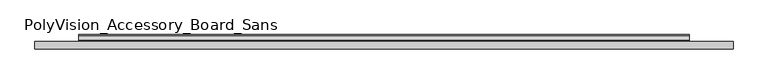
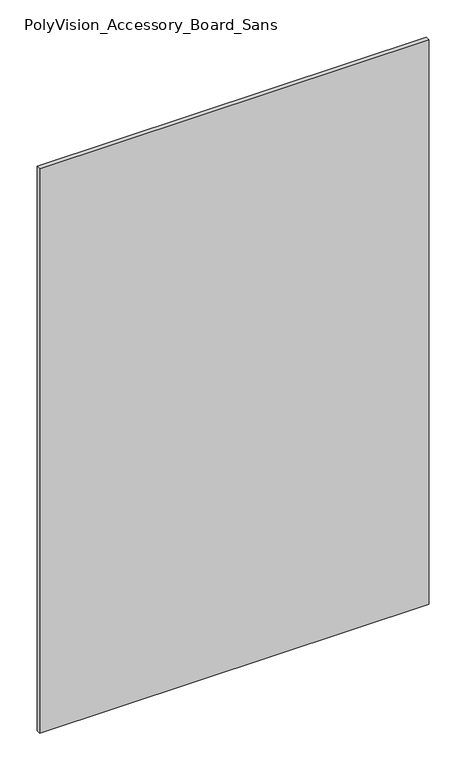
"""IFC4 building model written with IfcOpenShell, lengths in millimetres: furniture geometry, PolyVision_Accessory_Board_Sans."""

import ifcopenshell
import ifcopenshell.guid

model = None  # the IFC model being written
_history = None  # IfcOwnerHistory: only IFC2X3 demands one
_inside = {}  # id of a spatial element -> (the spatial element, [elements in it])
_under = {}  # id of a project, library or spatial element -> (it, [spatial elements below it])
_declared = {}  # id of a project -> (the project, [libraries it declares])
_typed = {}  # id of a type object -> (the type object, [elements of that type])
_made_of = {}  # id of a material, layer set ... -> (it, [elements and type objects made of it])


def new_model(schema):
    """Start an empty IFC model of exactly this schema.

    Asked for "IFC4X3", IfcOpenShell would pick the latest addendum, in which some entities
    have other attributes; the version numbers below select the first issue.
    IFC2X3 requires an IfcOwnerHistory on every rooted entity: one is made here for all.
    """
    global model, _history
    if schema == "IFC4X3":
        model = ifcopenshell.file(schema_version=(4, 3, 0, 0))
    else:
        model = ifcopenshell.file(schema=schema)
    _inside.clear()
    _under.clear()
    _declared.clear()
    _typed.clear()
    _made_of.clear()
    _history = None
    if model.schema == "IFC2X3":
        org = make("IfcOrganization", Name="unknown")
        user = make(
            "IfcPersonAndOrganization",
            ThePerson=make("IfcPerson", FamilyName="unknown"),
            TheOrganization=org,
        )
        app = make(
            "IfcApplication",
            ApplicationDeveloper=org,
            Version="unknown",
            ApplicationFullName="unknown",
            ApplicationIdentifier="unknown",
        )
        _history = make(
            "IfcOwnerHistory",
            OwningUser=user,
            OwningApplication=app,
            ChangeAction="ADDED",
            CreationDate=0,
        )
    return model


def make(cls, **values):
    """One entity of the class cls with the attributes given. An attribute that is None is left unset."""
    return model.create_entity(
        cls, **{name: value for name, value in values.items() if value is not None}
    )


def rooted(cls, **values):
    """An entity with a GlobalId (a new one), such as an element, a storey or a relation."""
    return make(cls, GlobalId=ifcopenshell.guid.new(), OwnerHistory=_history, **values)


def si_unit(unit_type, name, prefix=None):
    """IfcSIUnit, for example si_unit("LENGTHUNIT", "METRE", prefix="MILLI")."""
    return make("IfcSIUnit", UnitType=unit_type, Prefix=prefix, Name=name)


def assignment(units):
    """IfcUnitAssignment: the units of a project."""
    return None if units is None else make("IfcUnitAssignment", Units=units)


def point(xyz):
    """IfcCartesianPoint."""
    return None if xyz is None else make("IfcCartesianPoint", Coordinates=xyz)


def direction(xyz):
    """IfcDirection."""
    return None if xyz is None else make("IfcDirection", DirectionRatios=xyz)


def frame(location, z_axis=None, x_axis=None):
    """IfcAxis2Placement3D, a coordinate frame: its origin and axes. An axis left out is left unset."""
    return make(
        "IfcAxis2Placement3D",
        Location=point(location),
        Axis=direction(z_axis),
        RefDirection=direction(x_axis),
    )


def frame_2d(location, x_axis=None):
    """IfcAxis2Placement2D, a coordinate frame in the plane: its origin and x axis."""
    return make(
        "IfcAxis2Placement2D", Location=point(location), RefDirection=direction(x_axis)
    )


def origin():
    """The frame at (0, 0, 0) with its axes left unset."""
    return frame((0.0, 0.0, 0.0))


def place(relative_to, where):
    """IfcLocalPlacement: puts the frame where relative to a parent placement (None: the world)."""
    return make(
        "IfcLocalPlacement", PlacementRelTo=relative_to, RelativePlacement=where
    )


def context(
    kind, dimensions, precision=None, world=None, true_north=None, identifier=None
):
    """IfcGeometricRepresentationContext, for example the 3D "Model" context."""
    return make(
        "IfcGeometricRepresentationContext",
        ContextIdentifier=identifier,
        ContextType=kind,
        CoordinateSpaceDimension=dimensions,
        Precision=precision,
        WorldCoordinateSystem=world,
        TrueNorth=true_north,
    )


def project(units=None, contexts=None):
    """IfcProject with its units and contexts."""
    return rooted(
        "IfcProject",
        Name="project",
        RepresentationContexts=contexts,
        UnitsInContext=assignment(units),
    )


def spatial(cls, under=None, at=None, **own):
    """A site, building, storey or space (cls), placed at a placement, below another one or the project."""
    s = rooted(cls, ObjectPlacement=at, **own)
    if under is not None:
        _under.setdefault(under.id(), (under, []))[1].append(s)
    return s


def polyline(points):
    """IfcPolyline through the points."""
    return make("IfcPolyline", Points=[point(p) for p in points])


def circle_curve(where, radius):
    """IfcCircle in the frame where."""
    return make("IfcCircle", Position=where, Radius=radius)


def trimmed(basis, trim1, trim2, sense, master):
    """IfcTrimmedCurve: the piece of a basis curve between two trims."""
    return make(
        "IfcTrimmedCurve",
        BasisCurve=basis,
        Trim1=trim1,
        Trim2=trim2,
        SenseAgreement=sense,
        MasterRepresentation=master,
    )


def segment(curve, same_sense, transition):
    """IfcCompositeCurveSegment."""
    return make(
        "IfcCompositeCurveSegment",
        Transition=transition,
        SameSense=same_sense,
        ParentCurve=curve,
    )


def composite_curve(segments, self_intersect=None):
    """IfcCompositeCurve: segments joined end to end."""
    return make("IfcCompositeCurve", Segments=segments, SelfIntersect=self_intersect)


def outline(outer, holes=None, kind="AREA"):
    """IfcArbitraryClosedProfileDef: a profile drawn as a closed curve; with holes, ...WithVoids."""
    if holes is None:
        return make("IfcArbitraryClosedProfileDef", ProfileType=kind, OuterCurve=outer)
    return make(
        "IfcArbitraryProfileDefWithVoids",
        ProfileType=kind,
        OuterCurve=outer,
        InnerCurves=holes,
    )


def extrude(swept, where, along, depth):
    """IfcExtrudedAreaSolid: the profile swept, set in the frame where, extruded along a direction by depth."""
    return make(
        "IfcExtrudedAreaSolid",
        SweptArea=swept,
        Position=where,
        ExtrudedDirection=direction(along),
        Depth=depth,
    )


def shape(context_of_items, identifier, shape_type, items):
    """IfcShapeRepresentation: the items that make up one representation, for example the "Body"."""
    return make(
        "IfcShapeRepresentation",
        ContextOfItems=context_of_items,
        RepresentationIdentifier=identifier,
        RepresentationType=shape_type,
        Items=items,
    )


def source(mapping_origin, context_of_items, identifier, shape_type, items):
    """IfcRepresentationMap: a shape defined once, which mapped items show again and again."""
    return make(
        "IfcRepresentationMap",
        MappingOrigin=mapping_origin,
        MappedRepresentation=shape(context_of_items, identifier, shape_type, items),
    )


def transform(
    local_origin,
    x_axis=None,
    y_axis=None,
    z_axis=None,
    scale=None,
    scale2=None,
    scale3=None,
    uniform=True,
):
    """IfcCartesianTransformationOperator3D, or its non-uniform kind. x_axis, y_axis, z_axis: its Axis1, 2, 3."""
    if uniform:
        return make(
            "IfcCartesianTransformationOperator3D",
            Axis1=direction(x_axis),
            Axis2=direction(y_axis),
            LocalOrigin=point(local_origin),
            Scale=scale,
            Axis3=direction(z_axis),
        )
    return make(
        "IfcCartesianTransformationOperator3DnonUniform",
        Axis1=direction(x_axis),
        Axis2=direction(y_axis),
        LocalOrigin=point(local_origin),
        Scale=scale,
        Axis3=direction(z_axis),
        Scale2=scale2,
        Scale3=scale3,
    )


def mapped(mapping_source, mapping_target):
    """IfcMappedItem: shows the shape of a source again, moved by a transform."""
    return make(
        "IfcMappedItem", MappingSource=mapping_source, MappingTarget=mapping_target
    )


def made_of(thing, what):
    """Note that an element or type object is made of a material, layer set ...; save() writes the relation."""
    if what is not None:
        _made_of.setdefault(what.id(), (what, []))[1].append(thing)
    return thing


def element(
    cls,
    number,
    at=None,
    inside=None,
    cuts=None,
    type_object=None,
    material=None,
    context=None,
    identifier="Body",
    shape_type=None,
    held_by="IfcProductDefinitionShape",
    body=None,
    shapes=None,
    **own,
):
    """One element of the class cls, such as IfcWall. Its Tag is "e" and its number.

    at: its placement. inside: the storey or other place that contains it. cuts: it is an
    opening in that element (IfcRelVoidsElement). A single representation is given by context,
    identifier, shape_type and body (its items); several are given by shapes. held_by: the class
    of the entity that holds the representations. save() writes the other relations.
    """
    e = rooted(cls, Tag="e%d" % number, ObjectPlacement=at, **own)
    if body is not None:
        shapes = [shape(context, identifier, shape_type, body)]
    if shapes is not None:
        e.Representation = make(held_by, Representations=shapes)
    if inside is not None:
        _inside.setdefault(inside.id(), (inside, []))[1].append(e)
    if cuts is not None:
        rooted(
            "IfcRelVoidsElement", RelatingBuildingElement=cuts, RelatedOpeningElement=e
        )
    if type_object is not None:
        _typed.setdefault(type_object.id(), (type_object, []))[1].append(e)
    return made_of(e, material)


def aggregate(whole, parts):
    """IfcRelAggregates: a whole, such as a stair, and the parts it consists of."""
    return rooted("IfcRelAggregates", RelatingObject=whole, RelatedObjects=parts)


def save(model, path):
    """Write the relations noted so far, then the file.

    IfcRelAggregates (storeys below a building ...), IfcRelContainedInSpatialStructure (elements
    in a storey), IfcRelDefinesByType, IfcRelAssociatesMaterial and IfcRelDeclares: one each for
    every whole, place, type object, material and project.
    """
    for whole, parts in _under.values():
        aggregate(whole, parts)
    for where, things in _inside.values():
        rooted(
            "IfcRelContainedInSpatialStructure",
            RelatedElements=things,
            RelatingStructure=where,
        )
    for kind, things in _typed.values():
        rooted("IfcRelDefinesByType", RelatedObjects=things, RelatingType=kind)
    for what, things in _made_of.values():
        rooted("IfcRelAssociatesMaterial", RelatedObjects=things, RelatingMaterial=what)
    for by, libraries in _declared.values():
        rooted("IfcRelDeclares", RelatingContext=by, RelatedDefinitions=libraries)
    model.write(path)


def polyvision_accessory_board_sans_55de0e25(model_context):
    return source(origin(), model_context, "Body", "SweptSolid", [
        extrude(outline(composite_curve([segment(polyline([(-8.8481574, 619.3808713), (-8.8481574, 601.8344204)]), True, "CONTINUOUS"), segment(trimmed(circle_curve(frame_2d((-4.2772473, 601.8344204)), 4.5709102), [point((-8.8481574, 601.8344204))], [point((-7.9751913, 599.1477068))], True, "CARTESIAN"), True, "CONTINUOUS"), segment(polyline([(-7.9751913, 599.1477068), (0.0947957, 588.0403226)]), True, "CONTINUOUS"), segment(trimmed(circle_curve(frame_2d((-4.5154855, 584.6907573)), 5.698621), [point((0.0947957, 588.0403226))], [point((1.1831355, 584.6907573))], False, "CARTESIAN"), True, "CONTINUOUS"), segment(polyline([(1.1831355, 584.6907573), (1.1831355, 568.4530446), (-0.4876652, 568.4530446), (-0.4876652, 585.5209704), (-10.3887554, 599.1486519), (-10.3887554, 619.3808713), (-8.8481574, 619.3808713)]), True, "CONTINUOUS")], self_intersect=False)), frame((75.0, 0.0, 0.0), z_axis=(1.0, 0.0, 0.0), x_axis=(0.0, 1.0, 0.0)), (0.0, 0.0, 1.0), 1043.8),
        extrude(outline(composite_curve([segment(polyline([(-8.8481574, 2177.5681298), (-8.8481574, 2160.0216789)]), True, "CONTINUOUS"), segment(trimmed(circle_curve(frame_2d((-4.2772473, 2160.0216789)), 4.5709102), [point((-8.8481574, 2160.0216789))], [point((-7.9751913, 2157.3349653))], True, "CARTESIAN"), True, "CONTINUOUS"), segment(polyline([(-7.9751913, 2157.3349653), (0.0947957, 2146.2275811)]), True, "CONTINUOUS"), segment(trimmed(circle_curve(frame_2d((-4.5154855, 2142.8780158)), 5.698621), [point((0.0947957, 2146.2275811))], [point((1.1831355, 2142.8780158))], False, "CARTESIAN"), True, "CONTINUOUS"), segment(polyline([(1.1831355, 2142.8780158), (1.1831355, 2126.640303), (-0.4876652, 2126.640303), (-0.4876652, 2143.7082289), (-10.3887554, 2157.3359104), (-10.3887554, 2177.5681298), (-8.8481574, 2177.5681298)]), True, "CONTINUOUS")], self_intersect=False)), frame((75.0, 0.0, 0.0), z_axis=(1.0, 0.0, 0.0), x_axis=(0.0, 1.0, 0.0)), (0.0, 0.0, 1.0), 1043.8),
        extrude(outline(polyline([(0.0, -10.3887554), (1193.8, -10.3887554), (1193.8, -23.4949322), (0.0, -23.4949322), (0.0, -10.3887554)])), frame((0.0, 0.0, 483.0), z_axis=(0.0, 0.0, 1.0), x_axis=(1.0, 0.0, 0.0)), (0.0, 0.0, 1.0), 1828.8),
    ])


if __name__ == "__main__":
    model = new_model("IFC4")
    model_context = context("Model", 3, world=origin())
    ifc_project = project(units=[si_unit("LENGTHUNIT", "METRE", prefix="MILLI")], contexts=[model_context])
    site = spatial("IfcSite", under=ifc_project)
    building = spatial("IfcBuilding", under=site)
    placement = place(None, origin())
    polyvision_accessory_board_sans_shape = polyvision_accessory_board_sans_55de0e25(model_context)
    element("IfcFurniture", 1, ObjectType="PolyVision_Accessory_Board_Sans", at=placement, inside=building, context=model_context, shape_type="MappedRepresentation", body=[
        mapped(polyvision_accessory_board_sans_shape, transform((0.0, 0.0, 0.0), x_axis=(1.0, 0.0, 0.0), y_axis=(0.0, 1.0, 0.0), z_axis=(0.0, 0.0, 1.0))),
    ])
    save(model, "model.ifc")
